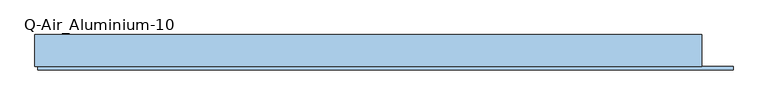
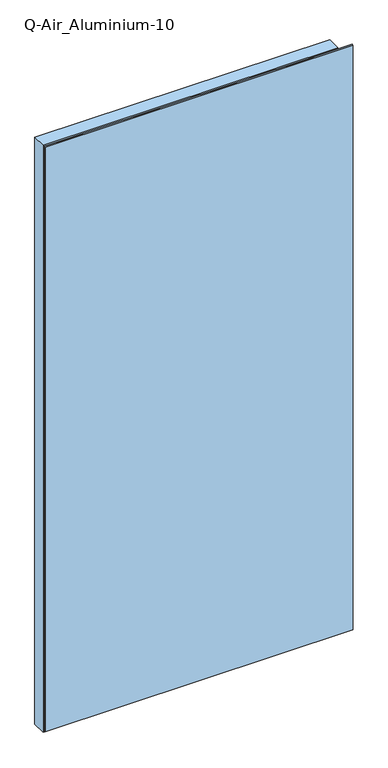
"""IFC4 building model written with IfcOpenShell, lengths in millimetres: window geometry, Q-Air_Aluminium-10."""

from ifc_helpers import new_model, si_unit, frame, origin, place, context, project, spatial, polyline, outline, extrude, source, transform, mapped, element, save


def q_air_aluminium_10_eb3c8c79(model_context):
    return source(origin(), model_context, "Body", "SweptSolid", [
        extrude(outline(polyline([(5020.0, 1195.0000002), (5020.0, -1195.0000002), (0.0, -1195.0000002), (0.0, 1195.0000002), (5020.0, 1195.0000002)]), holes=[polyline([(4962.0, 1137.0000002), (58.0, 1137.0000002), (58.0, -1137.0000002), (4962.0, -1137.0000002), (4962.0, 1137.0000002)])]), frame((0.0, -114.5, 0.0), z_axis=(0.0, 1.0, 0.0), x_axis=(0.0, 0.0, 1.0)), (0.0, 0.0, 1.0), 114.5),
        extrude(outline(polyline([(1137.0000002, 0.0), (1137.0000002, -12.5), (-1137.0000002, -12.5), (-1137.0000002, 0.0), (1137.0000002, 0.0)])), frame((0.0, 0.0, 58.0), z_axis=(0.0, 0.0, 1.0), x_axis=(1.0, 0.0, 0.0)), (0.0, 0.0, 1.0), 4904.0),
        extrude(outline(polyline([(1307.4000002, -114.5), (1307.4000002, -127.0), (-1185.0000002, -127.0), (-1185.0000002, -114.5), (1307.4000002, -114.5)])), frame((0.0, 0.0, 10.0), z_axis=(0.0, 0.0, 1.0), x_axis=(1.0, 0.0, 0.0)), (0.0, 0.0, 1.0), 5000.0),
        extrude(outline(polyline([(5010.0, 1307.4000002), (5010.0, -1185.0000002), (10.0, -1185.0000002), (10.0, 1307.4000002), (5010.0, 1307.4000002)]), holes=[polyline([(4962.0, 1137.0000002), (58.0, 1137.0000002), (58.0, -1137.0000002), (4962.0, -1137.0000002), (4962.0, 1137.0000002)])]), frame((0.0, -118.5, 0.0), z_axis=(0.0, 1.0, 0.0), x_axis=(0.0, 0.0, 1.0)), (0.0, 0.0, 1.0), 4.0),
    ])


if __name__ == "__main__":
    model = new_model("IFC4")
    model_context = context("Model", 3, world=origin())
    ifc_project = project(units=[si_unit("LENGTHUNIT", "METRE", prefix="MILLI")], contexts=[model_context])
    site = spatial("IfcSite", under=ifc_project)
    building = spatial("IfcBuilding", under=site)
    placement = place(None, origin())
    q_air_aluminium_10_shape = q_air_aluminium_10_eb3c8c79(model_context)
    element("IfcWindow", 1, ObjectType="Q-Air_Aluminium-10", at=placement, inside=building, context=model_context, shape_type="MappedRepresentation", body=[
        mapped(q_air_aluminium_10_shape, transform((0.0, 0.0, 0.0), x_axis=(1.0, 0.0, 0.0), y_axis=(0.0, 1.0, 0.0), z_axis=(0.0, 0.0, 1.0))),
    ])
    save(model, "model.ifc")
